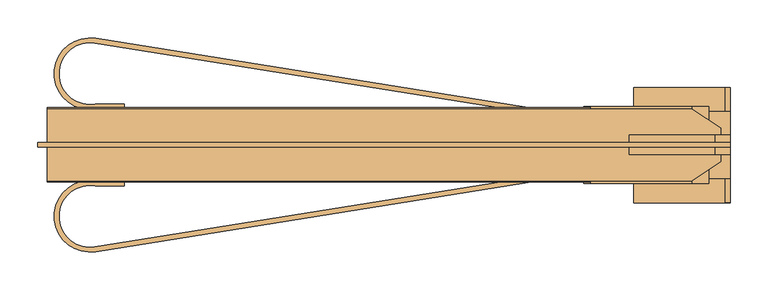
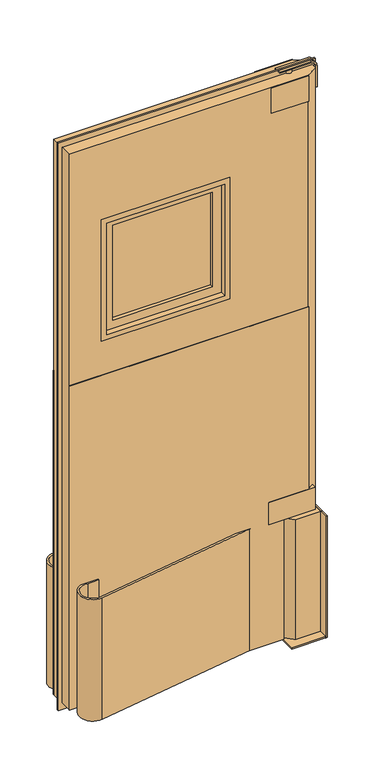
"""IFC4 building model written with IfcOpenShell, lengths in millimetres: door geometry."""

from ifc_helpers import new_model, si_unit, point, frame, frame_2d, origin, origin_with_axes, place, context, project, spatial, polyline, circle_curve, trimmed, segment, composite_curve, outline, extrude, faceted_brep, source, transform, mapped, element, save
from ifc_brep_helpers import plane_surface, cylinder_surface, advanced_brep


def door_255598f1(model_context):
    return source(origin(), model_context, "Body", "SolidModel", [
        extrude(outline(composite_curve([segment(polyline([(-369.3028232, -134.6647743), (175.6910199, -47.5028808), (215.9, -47.5028808), (-368.3, -140.9350889)]), True, "CONTINUOUS"), segment(trimmed(circle_curve(frame_2d((-375.7713947, -94.2189848)), 47.3097888), [point((-368.3, -140.9350889))], [point((-368.3, -47.5028808))], False, "CARTESIAN"), True, "CONTINUOUS"), segment(polyline([(-368.3, -47.5028808), (-330.2, -47.5028808), (-330.2, -53.8528808), (-368.8228738, -53.8528808)]), True, "CONTINUOUS"), segment(trimmed(circle_curve(frame_2d((-375.7713947, -94.2189848)), 40.9597888), [point((-368.8228738, -53.8528808))], [point((-369.3028232, -134.6647743))], True, "CARTESIAN"), True, "CONTINUOUS")], self_intersect=False)), frame((0.0, 0.0, 25.4), z_axis=(0.0, 0.0, 1.0), x_axis=(1.0, 0.0, 0.0)), (0.0, 0.0, 1.0), 457.2),
        extrude(outline(composite_curve([segment(trimmed(circle_curve(frame_2d((-375.7713947, 94.4632233)), 40.9597888), [point((-369.3028232, 134.9090128))], [point((-368.8228738, 54.0971192))], True, "CARTESIAN"), True, "CONTINUOUS"), segment(polyline([(-368.8228738, 54.0971192), (-330.2, 54.0971192), (-330.2, 47.7471192), (-368.3, 47.7471192)]), True, "CONTINUOUS"), segment(trimmed(circle_curve(frame_2d((-375.7713947, 94.4632233)), 47.3097888), [point((-368.3, 47.7471192))], [point((-368.3, 141.1793274))], False, "CARTESIAN"), True, "CONTINUOUS"), segment(polyline([(-368.3, 141.1793274), (215.9, 47.7471192), (175.6910199, 47.7471192), (-369.3028232, 134.9090128)]), True, "CONTINUOUS")], self_intersect=False)), frame((0.0, 0.0, 25.4), z_axis=(0.0, 0.0, 1.0), x_axis=(1.0, 0.0, 0.0)), (0.0, 0.0, 1.0), 457.2),
        extrude(outline(polyline([(441.325, -50.6778808), (276.225, -50.6778808), (276.225, 50.9221192), (441.325, 50.9221192), (441.325, -50.6778808)])), frame((0.0, 0.0, 476.25), z_axis=(0.0, 0.0, 1.0), x_axis=(1.0, 0.0, 0.0)), (0.0, 0.0, 1.0), 82.55),
        extrude(outline(polyline([(428.625, -6.2278808), (415.925, -6.2278808), (415.925, 6.4721192), (428.625, 6.4721192), (428.625, -6.2278808)])), frame((0.0, 0.0, 457.2), z_axis=(0.0, 0.0, 1.0), x_axis=(1.0, 0.0, 0.0)), (0.0, 0.0, 1.0), 19.05),
        extrude(outline(polyline([(469.9, 44.5721192), (469.9, -44.3278808), (374.65, -44.3278808), (347.7092316, -17.3871124), (347.7092316, 17.6313509), (374.65, 44.5721192), (469.9, 44.5721192)])), origin_with_axes(), (0.0, 0.0, 1.0), 457.2),
        extrude(outline(polyline([(463.55, 76.3221192), (469.9, 76.3221192), (469.9, -76.0778808), (463.55, -76.0778808), (463.55, 76.3221192)])), origin_with_axes(), (0.0, 0.0, 1.0), 457.2),
        extrude(outline(polyline([(469.9, 76.3221192), (469.9, -76.0778808), (342.9, -76.0778808), (342.9, 76.3221192), (469.9, 76.3221192)])), origin_with_axes(), (0.0, 0.0, 1.0), 6.35),
        extrude(outline(polyline([(1371.6, -317.5), (1371.6, 139.7), (1828.8, 139.7), (1828.8, -317.5), (1371.6, -317.5)]), holes=[polyline([(1390.65, -298.45), (1809.75, -298.45), (1809.75, 120.65), (1390.65, 120.65), (1390.65, -298.45)])]), frame((0.0, -47.5028808, 0.0), z_axis=(0.0, 1.0, 0.0), x_axis=(0.0, 0.0, 1.0)), (0.0, 0.0, 1.0), 95.25),
        extrude(outline(polyline([(2133.6, 469.9), (2133.6, -444.5), (0.0, -444.5), (0.0, 469.9), (2133.6, 469.9)]), holes=[polyline([(1371.6, -317.5), (1828.8, -317.5), (1828.8, 139.7), (1371.6, 139.7), (1371.6, -317.5)])]), frame((0.0, -3.0528808, 0.0), z_axis=(0.0, 1.0, 0.0), x_axis=(0.0, 0.0, 1.0)), (0.0, 0.0, 1.0), 6.35),
        extrude(outline(polyline([(-266.7, 15.9971192), (88.9, 15.9971192), (88.9, -15.7528808), (-266.7, -15.7528808), (-266.7, 15.9971192)])), frame((0.0, 0.0, 1422.4), z_axis=(0.0, 0.0, 1.0), x_axis=(1.0, 0.0, 0.0)), (0.0, 0.0, 1.0), 355.6),
        extrude(outline(polyline([(1390.65, 120.65), (1809.75, 120.65), (1809.75, -298.45), (1390.65, -298.45), (1390.65, 120.65)]), holes=[polyline([(1778.0, 88.9), (1422.4, 88.9), (1422.4, -266.7), (1778.0, -266.7), (1778.0, 88.9)])]), frame((0.0, -28.4528808, 0.0), z_axis=(0.0, 1.0, 0.0), x_axis=(0.0, 0.0, 1.0)), (0.0, 0.0, 1.0), 57.15),
        extrude(outline(polyline([(1244.6, -431.8), (25.4, -431.8), (25.4, 330.2), (476.25, 330.2), (476.25, 419.1), (1244.6, 419.1), (1244.6, -431.8)])), frame((0.0, -49.0903808, 0.0), z_axis=(0.0, 1.0, 0.0), x_axis=(0.0, 0.0, 1.0)), (0.0, 0.0, 1.0), 1.5875),
        extrude(outline(polyline([(1244.6, -431.8), (25.4, -431.8), (25.4, 330.2), (476.25, 330.2), (476.25, 419.1), (1244.6, 419.1), (1244.6, -431.8)])), frame((0.0, 47.7471192, 0.0), z_axis=(0.0, 1.0, 0.0), x_axis=(0.0, 0.0, 1.0)), (0.0, 0.0, 1.0), 1.5875),
        faceted_brep([(-431.8, 47.7471192, 25.4), (-431.8, 47.7471192, 2114.55), (419.1, 47.7471192, 2114.55), (419.1, 47.7471192, 476.25), (330.2, 47.7471192, 476.25), (330.2, 47.7471192, 25.4), (-317.5, 47.7471192, 1828.8), (-317.5, 47.7471192, 1371.6), (139.7, 47.7471192, 1371.6), (139.7, 47.7471192, 1828.8), (-431.8, -47.5028808, 2114.55), (-431.8, -47.5028808, 25.4), (330.2, -47.5028808, 25.4), (330.2, -47.5028808, 476.25), (419.1, -47.5028808, 476.25), (419.1, -47.5028808, 2114.55), (-317.5, -47.5028808, 1371.6), (-317.5, -47.5028808, 1828.8), (139.7, -47.5028808, 1828.8), (139.7, -47.5028808, 1371.6), (457.2, 22.3471192, 2114.55), (457.2, -22.1028808, 2114.55), (457.2, -22.1028808, 476.25), (457.2, 22.3471192, 476.25)], [[[0, 1, 2, 3, 4, 5], [6, 7, 8, 9]], [[10, 11, 12, 13, 14, 15], [16, 17, 18, 19]], [[20, 21, 22, 23]], [[11, 0, 5, 12]], [[1, 0, 11, 10]], [[1, 10, 15, 21, 20, 2]], [[16, 7, 6, 17]], [[17, 6, 9, 18]], [[18, 9, 8, 19]], [[7, 16, 19, 8]], [[2, 20, 23, 3]], [[21, 15, 14, 22]], [[13, 4, 3, 23, 22, 14]], [[4, 13, 12, 5]]]),
        advanced_brep(
        [(374.65, 0.1221192, 2114.55), (385.7625, 0.1221192, 2114.55), (363.5375, 0.1221192, 2114.55), (363.5375, 0.1221192, 2128.8375), (385.7625, 0.1221192, 2128.8375), (374.65, 0.1221192, 2128.8375)],
        [
            (0, 1),
            (1, 2, circle_curve(frame((374.65, 0.1221192, 2114.55), z_axis=(0.0, 0.0, -1.0), x_axis=(1.0, 0.0, 0.0)), 11.1125)),
            (2, 0),
            (2, 1, circle_curve(frame((374.65, 0.1221192, 2114.55), z_axis=(0.0, 0.0, -1.0), x_axis=(1.0, 0.0, 0.0)), 11.1125)),
            (3, 4, circle_curve(frame((374.65, 0.1221192, 2128.8375), z_axis=(0.0, 0.0, 1.0), x_axis=(1.0, 0.0, 0.0)), 11.1125)),
            (4, 5),
            (5, 3),
            (4, 3, circle_curve(frame((374.65, 0.1221192, 2128.8375), z_axis=(0.0, 0.0, 1.0), x_axis=(1.0, 0.0, 0.0)), 11.1125)),
            (1, 4),
            (3, 2),
        ],
        [
            plane_surface(frame((374.65, 0.1221192, 2114.55), z_axis=(0.0, 0.0, -1.0), x_axis=(1.0, 0.0, 0.0))),
            plane_surface(frame((374.65, 0.1221192, 2128.8375), z_axis=(0.0, 0.0, 1.0), x_axis=(1.0, 0.0, 0.0))),
            cylinder_surface(frame((374.65, 0.1221192, -41.502018), z_axis=(0.0, 0.0, -1.0), x_axis=(1.0, 0.0, 0.0)), 11.1125),
        ],
        [
            (0, [[1, 2, 3]]),
            (0, [[-3, 4, -1]]),
            (1, [[5, 6, 7]]),
            (1, [[8, -7, -6]]),
            (2, [[-2, 9, -5, 10]]),
            (2, [[-4, -10, -8, -9]]),
        ],
    ),
        extrude(outline(polyline([(285.5618521, 50.9221192), (419.1, 50.9221192), (419.1, -50.6778808), (285.5618521, -50.6778808), (285.5618521, 50.9221192)])), frame((0.0, 0.0, 2019.3), z_axis=(0.0, 0.0, 1.0), x_axis=(1.0, 0.0, 0.0)), (0.0, 0.0, 1.0), 95.25),
        extrude(outline(composite_curve([segment(polyline([(2133.6, 336.55), (2128.8375, 336.55), (2128.8375, 449.2625)]), True, "CONTINUOUS"), segment(trimmed(circle_curve(frame_2d((2112.9625, 449.2625)), 15.875), [point((2128.8375, 449.2625))], [point((2112.9625, 465.1375))], True, "CARTESIAN"), True, "CONTINUOUS"), segment(polyline([(2112.9625, 465.1375), (2032.0, 465.1375), (2032.0, 469.9), (2112.9625, 469.9)]), True, "CONTINUOUS"), segment(trimmed(circle_curve(frame_2d((2112.9625, 449.2625)), 20.6375), [point((2112.9625, 469.9))], [point((2133.6, 449.2625))], False, "CARTESIAN"), True, "CONTINUOUS"), segment(polyline([(2133.6, 449.2625), (2133.6, 336.55)]), True, "CONTINUOUS")], self_intersect=False)), frame((0.0, -12.5778808, 0.0), z_axis=(0.0, 1.0, 0.0), x_axis=(0.0, 0.0, 1.0)), (0.0, 0.0, 1.0), 25.4),
    ])


if __name__ == "__main__":
    model = new_model("IFC4")
    model_context = context("Model", 3, world=origin())
    ifc_project = project(units=[si_unit("LENGTHUNIT", "METRE", prefix="MILLI")], contexts=[model_context])
    site = spatial("IfcSite", under=ifc_project)
    building = spatial("IfcBuilding", under=site)
    placement = place(None, origin())
    door_shape = door_255598f1(model_context)
    element("IfcDoor", 1, at=placement, inside=building, context=model_context, shape_type="MappedRepresentation", body=[
        mapped(door_shape, transform((0.0, 0.0, 0.0), x_axis=(1.0, 0.0, 0.0), y_axis=(0.0, 1.0, 0.0), z_axis=(0.0, 0.0, 1.0))),
    ])
    save(model, "model.ifc")
